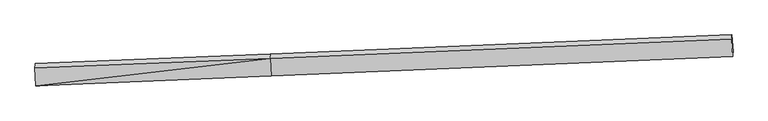
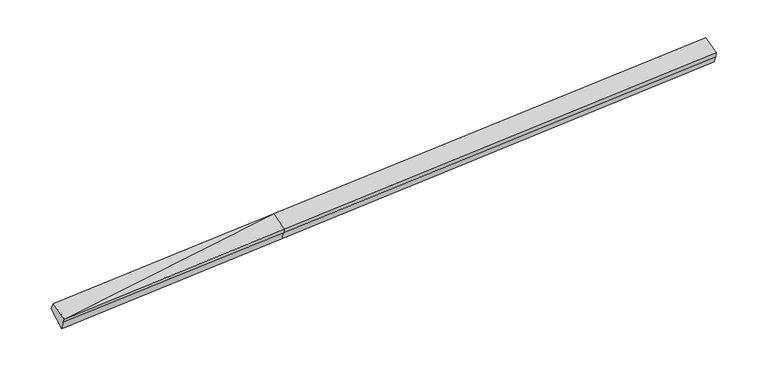
"""IFC4 building model written with IfcOpenShell, lengths in millimetres: proxy geometry."""

import ifcopenshell
import ifcopenshell.guid

model = None  # the IFC model being written
_history = None  # IfcOwnerHistory: only IFC2X3 demands one
_inside = {}  # id of a spatial element -> (the spatial element, [elements in it])
_under = {}  # id of a project, library or spatial element -> (it, [spatial elements below it])
_declared = {}  # id of a project -> (the project, [libraries it declares])
_typed = {}  # id of a type object -> (the type object, [elements of that type])
_made_of = {}  # id of a material, layer set ... -> (it, [elements and type objects made of it])


def new_model(schema):
    """Start an empty IFC model of exactly this schema.

    Asked for "IFC4X3", IfcOpenShell would pick the latest addendum, in which some entities
    have other attributes; the version numbers below select the first issue.
    IFC2X3 requires an IfcOwnerHistory on every rooted entity: one is made here for all.
    """
    global model, _history
    if schema == "IFC4X3":
        model = ifcopenshell.file(schema_version=(4, 3, 0, 0))
    else:
        model = ifcopenshell.file(schema=schema)
    _inside.clear()
    _under.clear()
    _declared.clear()
    _typed.clear()
    _made_of.clear()
    _history = None
    if model.schema == "IFC2X3":
        org = make("IfcOrganization", Name="unknown")
        user = make(
            "IfcPersonAndOrganization",
            ThePerson=make("IfcPerson", FamilyName="unknown"),
            TheOrganization=org,
        )
        app = make(
            "IfcApplication",
            ApplicationDeveloper=org,
            Version="unknown",
            ApplicationFullName="unknown",
            ApplicationIdentifier="unknown",
        )
        _history = make(
            "IfcOwnerHistory",
            OwningUser=user,
            OwningApplication=app,
            ChangeAction="ADDED",
            CreationDate=0,
        )
    return model


def make(cls, **values):
    """One entity of the class cls with the attributes given. An attribute that is None is left unset."""
    return model.create_entity(
        cls, **{name: value for name, value in values.items() if value is not None}
    )


def rooted(cls, **values):
    """An entity with a GlobalId (a new one), such as an element, a storey or a relation."""
    return make(cls, GlobalId=ifcopenshell.guid.new(), OwnerHistory=_history, **values)


def si_unit(unit_type, name, prefix=None):
    """IfcSIUnit, for example si_unit("LENGTHUNIT", "METRE", prefix="MILLI")."""
    return make("IfcSIUnit", UnitType=unit_type, Prefix=prefix, Name=name)


def assignment(units):
    """IfcUnitAssignment: the units of a project."""
    return None if units is None else make("IfcUnitAssignment", Units=units)


def point(xyz):
    """IfcCartesianPoint."""
    return None if xyz is None else make("IfcCartesianPoint", Coordinates=xyz)


def direction(xyz):
    """IfcDirection."""
    return None if xyz is None else make("IfcDirection", DirectionRatios=xyz)


def frame(location, z_axis=None, x_axis=None):
    """IfcAxis2Placement3D, a coordinate frame: its origin and axes. An axis left out is left unset."""
    return make(
        "IfcAxis2Placement3D",
        Location=point(location),
        Axis=direction(z_axis),
        RefDirection=direction(x_axis),
    )


def origin():
    """The frame at (0, 0, 0) with its axes left unset."""
    return frame((0.0, 0.0, 0.0))


def place(relative_to, where):
    """IfcLocalPlacement: puts the frame where relative to a parent placement (None: the world)."""
    return make(
        "IfcLocalPlacement", PlacementRelTo=relative_to, RelativePlacement=where
    )


def context(
    kind, dimensions, precision=None, world=None, true_north=None, identifier=None
):
    """IfcGeometricRepresentationContext, for example the 3D "Model" context."""
    return make(
        "IfcGeometricRepresentationContext",
        ContextIdentifier=identifier,
        ContextType=kind,
        CoordinateSpaceDimension=dimensions,
        Precision=precision,
        WorldCoordinateSystem=world,
        TrueNorth=true_north,
    )


def project(units=None, contexts=None):
    """IfcProject with its units and contexts."""
    return rooted(
        "IfcProject",
        Name="project",
        RepresentationContexts=contexts,
        UnitsInContext=assignment(units),
    )


def spatial(cls, under=None, at=None, **own):
    """A site, building, storey or space (cls), placed at a placement, below another one or the project."""
    s = rooted(cls, ObjectPlacement=at, **own)
    if under is not None:
        _under.setdefault(under.id(), (under, []))[1].append(s)
    return s


def shape(context_of_items, identifier, shape_type, items):
    """IfcShapeRepresentation: the items that make up one representation, for example the "Body"."""
    return make(
        "IfcShapeRepresentation",
        ContextOfItems=context_of_items,
        RepresentationIdentifier=identifier,
        RepresentationType=shape_type,
        Items=items,
    )


def source(mapping_origin, context_of_items, identifier, shape_type, items):
    """IfcRepresentationMap: a shape defined once, which mapped items show again and again."""
    return make(
        "IfcRepresentationMap",
        MappingOrigin=mapping_origin,
        MappedRepresentation=shape(context_of_items, identifier, shape_type, items),
    )


def transform(
    local_origin,
    x_axis=None,
    y_axis=None,
    z_axis=None,
    scale=None,
    scale2=None,
    scale3=None,
    uniform=True,
):
    """IfcCartesianTransformationOperator3D, or its non-uniform kind. x_axis, y_axis, z_axis: its Axis1, 2, 3."""
    if uniform:
        return make(
            "IfcCartesianTransformationOperator3D",
            Axis1=direction(x_axis),
            Axis2=direction(y_axis),
            LocalOrigin=point(local_origin),
            Scale=scale,
            Axis3=direction(z_axis),
        )
    return make(
        "IfcCartesianTransformationOperator3DnonUniform",
        Axis1=direction(x_axis),
        Axis2=direction(y_axis),
        LocalOrigin=point(local_origin),
        Scale=scale,
        Axis3=direction(z_axis),
        Scale2=scale2,
        Scale3=scale3,
    )


def mapped(mapping_source, mapping_target):
    """IfcMappedItem: shows the shape of a source again, moved by a transform."""
    return make(
        "IfcMappedItem", MappingSource=mapping_source, MappingTarget=mapping_target
    )


def made_of(thing, what):
    """Note that an element or type object is made of a material, layer set ...; save() writes the relation."""
    if what is not None:
        _made_of.setdefault(what.id(), (what, []))[1].append(thing)
    return thing


def element(
    cls,
    number,
    at=None,
    inside=None,
    cuts=None,
    type_object=None,
    material=None,
    context=None,
    identifier="Body",
    shape_type=None,
    held_by="IfcProductDefinitionShape",
    body=None,
    shapes=None,
    **own,
):
    """One element of the class cls, such as IfcWall. Its Tag is "e" and its number.

    at: its placement. inside: the storey or other place that contains it. cuts: it is an
    opening in that element (IfcRelVoidsElement). A single representation is given by context,
    identifier, shape_type and body (its items); several are given by shapes. held_by: the class
    of the entity that holds the representations. save() writes the other relations.
    """
    e = rooted(cls, Tag="e%d" % number, ObjectPlacement=at, **own)
    if body is not None:
        shapes = [shape(context, identifier, shape_type, body)]
    if shapes is not None:
        e.Representation = make(held_by, Representations=shapes)
    if inside is not None:
        _inside.setdefault(inside.id(), (inside, []))[1].append(e)
    if cuts is not None:
        rooted(
            "IfcRelVoidsElement", RelatingBuildingElement=cuts, RelatedOpeningElement=e
        )
    if type_object is not None:
        _typed.setdefault(type_object.id(), (type_object, []))[1].append(e)
    return made_of(e, material)


def aggregate(whole, parts):
    """IfcRelAggregates: a whole, such as a stair, and the parts it consists of."""
    return rooted("IfcRelAggregates", RelatingObject=whole, RelatedObjects=parts)


def save(model, path):
    """Write the relations noted so far, then the file.

    IfcRelAggregates (storeys below a building ...), IfcRelContainedInSpatialStructure (elements
    in a storey), IfcRelDefinesByType, IfcRelAssociatesMaterial and IfcRelDeclares: one each for
    every whole, place, type object, material and project.
    """
    for whole, parts in _under.values():
        aggregate(whole, parts)
    for where, things in _inside.values():
        rooted(
            "IfcRelContainedInSpatialStructure",
            RelatedElements=things,
            RelatingStructure=where,
        )
    for kind, things in _typed.values():
        rooted("IfcRelDefinesByType", RelatedObjects=things, RelatingType=kind)
    for what, things in _made_of.values():
        rooted("IfcRelAssociatesMaterial", RelatedObjects=things, RelatingMaterial=what)
    for by, libraries in _declared.values():
        rooted("IfcRelDeclares", RelatingContext=by, RelatedDefinitions=libraries)
    model.write(path)


def plane_surface(at):
    """IfcPlane: the flat surface through the origin of the frame at, square to its z axis."""
    return make("IfcPlane", Position=at)


def spline_surface(u_degree, v_degree, points, u_multiplicities, v_multiplicities, u_knots, v_knots, weights=None):
    """IfcBSplineSurfaceWithKnots; with weights, IfcRationalBSplineSurfaceWithKnots. points: one row for each step in u."""
    own = dict(
        UDegree=u_degree,
        VDegree=v_degree,
        ControlPointsList=[[point(p) for p in row] for row in points],
        SurfaceForm="UNSPECIFIED",
        UClosed=False,
        VClosed=False,
        SelfIntersect=False,
        UMultiplicities=u_multiplicities,
        VMultiplicities=v_multiplicities,
        UKnots=u_knots,
        VKnots=v_knots,
        KnotSpec="UNSPECIFIED",
    )
    if weights is None:
        return make("IfcBSplineSurfaceWithKnots", **own)
    return make("IfcRationalBSplineSurfaceWithKnots", WeightsData=weights, **own)


def advanced_brep(points, edges, surfaces, faces):
    """IfcAdvancedBrep: a solid bounded by faces that lie on surfaces and meet in shared edges.

    An edge is (start, end): straight between two places in points (the first is 0);
    or (start, end, curve); or (start, end, curve, False) where it runs against its curve.
    A face is (place in surfaces, loops), or (place, loops, False) where it looks against
    its surface's normal. A loop lists edges by number (the first is 1), with a minus sign
    where the edge is run from its end to its start. The first loop is the outer one.
    """
    corners = [point(p) for p in points]
    vertices = [make("IfcVertexPoint", VertexGeometry=c) for c in corners]
    made = []
    for start, end, *more in edges:
        made.append(
            make(
                "IfcEdgeCurve",
                EdgeStart=vertices[start],
                EdgeEnd=vertices[end],
                EdgeGeometry=more[0] if more else make("IfcPolyline", Points=[corners[start], corners[end]]),
                SameSense=more[1] if len(more) > 1 else True,
            )
        )
    hull = []
    for where, loops, *sense in faces:
        bounds = []
        for j, loop in enumerate(loops):
            ring = [make("IfcOrientedEdge", EdgeElement=made[abs(k) - 1], Orientation=k > 0) for k in loop]
            bounds.append(
                make(
                    "IfcFaceOuterBound" if j == 0 else "IfcFaceBound",
                    Bound=make("IfcEdgeLoop", EdgeList=ring),
                    Orientation=True,
                )
            )
        hull.append(make("IfcAdvancedFace", Bounds=bounds, FaceSurface=surfaces[where], SameSense=sense[0] if sense else True))
    return make("IfcAdvancedBrep", Outer=make("IfcClosedShell", CfsFaces=hull))


def generic_models_e5accb5b(model_context):
    return source(origin(), model_context, "Body", "AdvancedBrep", [
        advanced_brep(
        [(-11413.4674719, -2417.8356072, 1533.5154509), (-11408.1267636, -2357.6370907, 1359.0210887), (-2766.6023096, -1992.0093301, 1733.6666796), (-2772.3797519, -2057.1305533, 1922.4302401), (-11450.2033712, -1766.0898157, 1772.058732), (-2809.1156512, -1405.3847618, 2160.9735212), (-11442.8451756, -1603.3541662, 1459.6457338), (-2802.0188814, -1237.9264852, 1850.1817727), (-11398.4127026, -2222.2421132, 1018.2667322), (-2757.5864084, -1856.8144322, 1408.8027711), (14156.0932934, -536.286539, 2664.1862802), (14150.4425873, -687.4453127, 2927.7314933), (14187.1784865, -1339.1911042, 2689.1882122), (14192.9559289, -1274.069881, 2500.4246517), (14200.5257664, -1155.174486, 2222.8072786)],
        [
            (0, 1),
            (1, 2),
            (2, 3),
            (3, 0),
            (4, 0),
            (0, 5),
            (5, 4),
            (6, 4),
            (5, 7),
            (7, 6),
            (8, 6),
            (7, 9),
            (9, 8),
            (1, 8),
            (9, 2),
            (10, 11),
            (11, 12),
            (12, 13),
            (13, 14),
            (14, 10),
            (3, 5),
            (5, 11),
            (10, 7),
            (3, 12),
            (2, 13),
            (9, 14),
        ],
        [
            plane_surface(frame((-11410.7971178, -2387.736349, 1446.2682698), z_axis=(0.054014620795940445, -0.9444546287080509, -0.32417260071173315), x_axis=(0.028921274122700933, 0.3259900555465541, -0.9449307083526677))),
            plane_surface(frame((-11431.8354216, -2091.9627115, 1652.7870915), z_axis=(-0.02782681551136581, -0.34495792921680957, 0.9382055720410892), x_axis=(0.052857409028726744, -0.9377637287759618, -0.34322774261847544))),
            spline_surface(1, 1, [[(-11442.8451756, -1603.3541662, 1459.6457338), (-2802.0188814, -1237.9264852, 1850.1817727)], [(-11450.2033712, -1766.0898157, 1772.058732), (-2809.1156512, -1405.3847618, 2160.9735212)]], [2, 2], [2, 2], [0.0, 1.0], [0.0, 1.0]),
            plane_surface(frame((-11420.6289391, -1912.7981397, 1238.956233), z_axis=(0.012197195857319064, 0.5811794851195381, -0.8136839893284168), x_axis=(-0.058352155232034596, 0.8127714512996849, 0.5796529944130201))),
            spline_surface(1, 1, [[(-11408.1267636, -2357.6370907, 1359.0210887), (-2766.6023096, -1992.0093301, 1733.6666796)], [(-11398.4127026, -2222.2421132, 1018.2667322), (-2757.5864084, -1856.8144322, 1408.8027711)]], [2, 2], [2, 2], [0.0, 1.0], [0.0, 1.0]),
            plane_surface(frame((14177.4392125, -998.4334646, 2600.8675832), z_axis=(0.9982133146566647, 0.04002813512495457, 0.04436132144755291), x_axis=(-0.018595800466474407, -0.49744551079233545, 0.8672958895311125))),
            plane_surface(frame((-11422.611097, -2073.4317586, 1428.5015475), z_axis=(-0.9982133146566651, -0.04002813512493881, -0.04436132144755772), x_axis=(-0.028921274122682923, -0.325990055546554, 0.9449307083526682))),
            plane_surface(frame((-11413.4674719, -2417.8356072, 1533.5154509), z_axis=(-0.027826815511364626, -0.34495792921681756, 0.9382055720410862), x_axis=(0.052857409028743994, -0.9377637287759581, -0.3432277426184827))),
            spline_surface(1, 1, [[(-2802.0188814, -1237.9264852, 1850.1817727), (14156.0932934, -536.286539, 2664.1862802)], [(-2809.1156512, -1405.3847618, 2160.9735212), (14150.4425873, -687.4453127, 2927.7314933)]], [2, 2], [2, 2], [0.0, 1.0], [0.0, 1.0]),
            plane_surface(frame((-2790.7477016, -1731.2576575, 2041.7018807), z_axis=(-0.0278143142157428, -0.344957427740274, 0.9382061271232041), x_axis=(0.052857409028740115, -0.9377637287759581, -0.34322774261848327))),
            plane_surface(frame((-2769.4910308, -2024.5699417, 1828.0484599), z_axis=(0.05463485411231311, -0.9444285555126101, -0.3241446224272298), x_axis=(0.028921274122725306, 0.32599005554655386, -0.944930708352667))),
            spline_surface(1, 1, [[(-2766.6023096, -1992.0093301, 1733.6666796), (14192.9559289, -1274.069881, 2500.4246517)], [(-2757.5864084, -1856.8144322, 1408.8027711), (14200.5257664, -1155.174486, 2222.8072786)]], [2, 2], [2, 2], [0.0, 1.0], [0.0, 1.0]),
            plane_surface(frame((-2779.8026449, -1547.3704587, 1629.4922719), z_axis=(0.015000659364515487, 0.5812906849780026, -0.8135576929612519), x_axis=(-0.058352155232031064, 0.812771451299685, 0.5796529944130203))),
        ],
        [
            (0, [[1, 2, 3, 4]]),
            (1, [[5, 6, 7]]),
            (2, [[8, -7, 9, 10]]),
            (3, [[11, -10, 12, 13]]),
            (4, [[14, -13, 15, -2]]),
            (5, [[16, 17, 18, 19, 20]]),
            (6, [[-1, -5, -8, -11, -14]]),
            (7, [[21, -6, -4]]),
            (8, [[-9, 22, -16, 23]]),
            (9, [[-21, 24, -17, -22]]),
            (10, [[-3, 25, -18, -24]]),
            (11, [[-15, 26, -19, -25]]),
            (12, [[-12, -23, -20, -26]]),
        ],
    ),
    ])


if __name__ == "__main__":
    model = new_model("IFC4")
    model_context = context("Model", 3, world=origin())
    ifc_project = project(units=[si_unit("LENGTHUNIT", "METRE", prefix="MILLI")], contexts=[model_context])
    site = spatial("IfcSite", under=ifc_project)
    building = spatial("IfcBuilding", under=site)
    placement = place(None, origin())
    generic_models_shape = generic_models_e5accb5b(model_context)
    element("IfcBuildingElementProxy", 1, Name="Generic Models", at=placement, inside=building, context=model_context, shape_type="MappedRepresentation", body=[
        mapped(generic_models_shape, transform((0.0, 0.0, 0.0), x_axis=(1.0, 0.0, 0.0), y_axis=(0.0, 1.0, 0.0), z_axis=(0.0, 0.0, 1.0))),
    ])
    save(model, "model.ifc")
